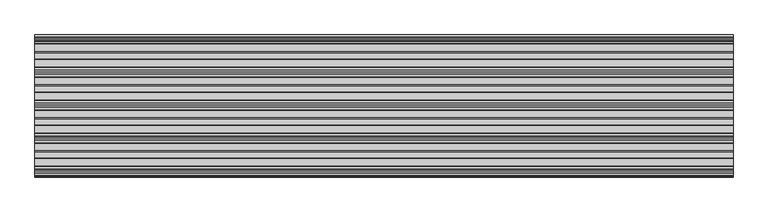
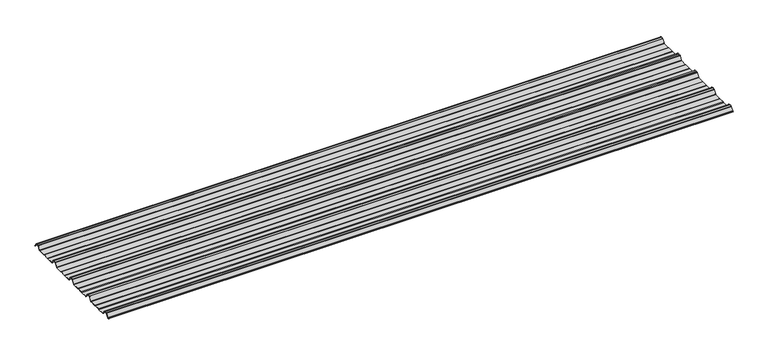
"""IFC4 building model written with IfcOpenShell, lengths in millimetres: beam geometry."""

from ifc_helpers import new_model, si_unit, point, frame, frame_2d, origin, place, context, project, spatial, polyline, circle_curve, trimmed, segment, composite_curve, outline, extrude, source, transform, mapped, element, save


def beam_5dd2faeb(model_context):
    return source(origin(), model_context, "Body", "SweptSolid", [
        extrude(outline(composite_curve([segment(polyline([(-72.2377386, -25.7896475), (-76.3538889, -24.06703), (-113.6461111, -24.06703), (-117.7622614, -25.7896475), (-160.0, -25.7896475)]), True, "CONTINUOUS"), segment(trimmed(circle_curve(frame_2d((-159.2196788, -21.4509358)), 4.4083239), [point((-160.0, -25.7896475))], [point((-162.8209858, -23.9933574))], False, "CARTESIAN"), True, "CONTINUOUS"), segment(polyline([(-162.8209858, -23.9933574), (-178.3273257, -0.5940367)]), True, "CONTINUOUS"), segment(trimmed(circle_curve(frame_2d((-180.8929255, -2.3855242)), 3.1291741), [point((-178.3273257, -0.5940367))], [point((-179.9028031, 0.582874))], True, "CARTESIAN"), True, "CONTINUOUS"), segment(trimmed(circle_curve(frame_2d((-189.9940851, -29.8891871)), 32.0995402), [point((-179.9028031, 0.582874))], [point((-190.0, 2.2103525))], True, "CARTESIAN"), True, "CONTINUOUS"), segment(trimmed(circle_curve(frame_2d((-190.0059149, -29.8891871)), 32.0995402), [point((-190.0, 2.2103525))], [point((-200.0971969, 0.582874))], True, "CARTESIAN"), True, "CONTINUOUS"), segment(trimmed(circle_curve(frame_2d((-199.1070745, -2.3855242)), 3.1291741), [point((-200.0971969, 0.582874))], [point((-201.6726743, -0.5940367))], True, "CARTESIAN"), True, "CONTINUOUS"), segment(polyline([(-201.6726743, -0.5940367), (-217.1790142, -23.9933574)]), True, "CONTINUOUS"), segment(trimmed(circle_curve(frame_2d((-220.7803212, -21.4509358)), 4.4083239), [point((-217.1790142, -23.9933574))], [point((-220.0, -25.7896475))], False, "CARTESIAN"), True, "CONTINUOUS"), segment(polyline([(-220.0, -25.7896475), (-262.2377386, -25.7896475), (-266.3538889, -24.06703), (-303.6461111, -24.06703), (-307.7622614, -25.7896475), (-350.0, -25.7896475)]), True, "CONTINUOUS"), segment(trimmed(circle_curve(frame_2d((-349.2196788, -21.4509358)), 4.4083239), [point((-350.0, -25.7896475))], [point((-352.8209858, -23.9933574))], False, "CARTESIAN"), True, "CONTINUOUS"), segment(polyline([(-352.8209858, -23.9933574), (-368.3273257, -0.5940367)]), True, "CONTINUOUS"), segment(trimmed(circle_curve(frame_2d((-370.8929255, -2.3855242)), 3.1291741), [point((-368.3273257, -0.5940367))], [point((-369.9028031, 0.582874))], True, "CARTESIAN"), True, "CONTINUOUS"), segment(trimmed(circle_curve(frame_2d((-379.9940851, -29.8891871)), 32.0995402), [point((-369.9028031, 0.582874))], [point((-380.0, 2.2103525))], True, "CARTESIAN"), True, "CONTINUOUS"), segment(trimmed(circle_curve(frame_2d((-380.0059149, -29.8891871)), 32.0995402), [point((-380.0, 2.2103525))], [point((-390.0971969, 0.582874))], True, "CARTESIAN"), True, "CONTINUOUS"), segment(trimmed(circle_curve(frame_2d((-389.1070745, -2.3855242)), 3.1291741), [point((-390.0971969, 0.582874))], [point((-391.6726743, -0.5940367))], True, "CARTESIAN"), True, "CONTINUOUS"), segment(polyline([(-391.6726743, -0.5940367), (-407.1790142, -23.9933574)]), True, "CONTINUOUS"), segment(trimmed(circle_curve(frame_2d((-410.7803212, -21.4509358)), 4.4083239), [point((-407.1790142, -23.9933574))], [point((-410.0, -25.7896475))], False, "CARTESIAN"), True, "CONTINUOUS"), segment(polyline([(-410.0, -25.7896475), (-452.2377387, -25.7896475), (-456.3538889, -24.06703), (-493.6461111, -24.06703), (-497.7622614, -25.7896475), (-540.0, -25.7896475)]), True, "CONTINUOUS"), segment(trimmed(circle_curve(frame_2d((-539.2196788, -21.4509358)), 4.4083239), [point((-540.0, -25.7896475))], [point((-542.8209858, -23.9933574))], False, "CARTESIAN"), True, "CONTINUOUS"), segment(polyline([(-542.8209858, -23.9933574), (-558.3273257, -0.5940367)]), True, "CONTINUOUS"), segment(trimmed(circle_curve(frame_2d((-560.8929255, -2.3855242)), 3.1291741), [point((-558.3273257, -0.5940367))], [point((-559.9028031, 0.582874))], True, "CARTESIAN"), True, "CONTINUOUS"), segment(trimmed(circle_curve(frame_2d((-569.9940851, -29.8891871)), 32.0995402), [point((-559.9028031, 0.582874))], [point((-570.0, 2.2103525))], True, "CARTESIAN"), True, "CONTINUOUS"), segment(trimmed(circle_curve(frame_2d((-570.0059149, -29.8891871)), 32.0995402), [point((-570.0, 2.2103525))], [point((-580.0971969, 0.582874))], True, "CARTESIAN"), True, "CONTINUOUS"), segment(trimmed(circle_curve(frame_2d((-579.1070745, -2.3855242)), 3.1291741), [point((-580.0971969, 0.582874))], [point((-581.6726743, -0.5940367))], True, "CARTESIAN"), True, "CONTINUOUS"), segment(polyline([(-581.6726743, -0.5940367), (-597.1790142, -23.9933574)]), True, "CONTINUOUS"), segment(trimmed(circle_curve(frame_2d((-600.7803212, -21.4509358)), 4.4083239), [point((-597.1790142, -23.9933574))], [point((-600.0, -25.7896475))], False, "CARTESIAN"), True, "CONTINUOUS"), segment(polyline([(-600.0, -25.7896475), (-642.2377387, -25.7896475), (-646.3538889, -24.06703), (-683.6461111, -24.06703), (-687.7622614, -25.7896475), (-730.0, -25.7896475)]), True, "CONTINUOUS"), segment(trimmed(circle_curve(frame_2d((-729.2196788, -21.4509358)), 4.4083239), [point((-730.0, -25.7896475))], [point((-732.8209858, -23.9933574))], False, "CARTESIAN"), True, "CONTINUOUS"), segment(polyline([(-732.8209858, -23.9933574), (-748.3273257, -0.5940367)]), True, "CONTINUOUS"), segment(trimmed(circle_curve(frame_2d((-750.8929255, -2.3855242)), 3.1291741), [point((-748.3273257, -0.5940367))], [point((-749.9028031, 0.582874))], True, "CARTESIAN"), True, "CONTINUOUS"), segment(trimmed(circle_curve(frame_2d((-759.9940851, -29.8891871)), 32.0995402), [point((-749.9028031, 0.582874))], [point((-760.0, 2.2103525))], True, "CARTESIAN"), True, "CONTINUOUS"), segment(trimmed(circle_curve(frame_2d((-760.0059149, -29.8891871)), 32.0995402), [point((-760.0, 2.2103525))], [point((-770.0971969, 0.582874))], True, "CARTESIAN"), True, "CONTINUOUS"), segment(trimmed(circle_curve(frame_2d((-769.1070745, -2.3855242)), 3.1291741), [point((-770.0971969, 0.582874))], [point((-771.6726743, -0.5940367))], True, "CARTESIAN"), True, "CONTINUOUS"), segment(polyline([(-771.6726743, -0.5940367), (-785.8536479, -21.993358)]), True, "CONTINUOUS"), segment(trimmed(circle_curve(frame_2d((-789.4549545, -19.4509358)), 4.4083239), [point((-785.8536479, -21.993358))], [point((-788.6746333, -23.7896475))], False, "CARTESIAN"), True, "CONTINUOUS"), segment(polyline([(-788.6746333, -23.7896475), (-792.3232685, -23.7896475)]), True, "CONTINUOUS"), segment(trimmed(circle_curve(frame_2d((-792.3232685, -23.2896475)), 0.5), [point((-792.3232685, -23.7896475))], [point((-792.3232685, -22.7896475))], False, "CARTESIAN"), True, "CONTINUOUS"), segment(polyline([(-792.3232685, -22.7896475), (-788.769625, -22.7896475)]), True, "CONTINUOUS"), segment(trimmed(circle_curve(frame_2d((-789.4549545, -19.4509358)), 3.4083239), [point((-788.769625, -22.7896475))], [point((-786.6785605, -21.42788))], True, "CARTESIAN"), True, "CONTINUOUS"), segment(polyline([(-786.6785605, -21.42788), (-772.5, -0.0322)]), True, "CONTINUOUS"), segment(trimmed(circle_curve(frame_2d((-769.1070745, -2.3855242)), 4.1291741), [point((-772.5, -0.0322))], [point((-770.41253, 1.5318556))], False, "CARTESIAN"), True, "CONTINUOUS"), segment(trimmed(circle_curve(frame_2d((-760.0059149, -29.8891871)), 33.0995402), [point((-770.41253, 1.5318556))], [point((-760.0, 3.2103525))], False, "CARTESIAN"), True, "CONTINUOUS"), segment(trimmed(circle_curve(frame_2d((-759.9940851, -29.8891871)), 33.0995402), [point((-760.0, 3.2103525))], [point((-749.58747, 1.5318556))], False, "CARTESIAN"), True, "CONTINUOUS"), segment(trimmed(circle_curve(frame_2d((-750.8929255, -2.3855242)), 4.1291741), [point((-749.58747, 1.5318556))], [point((-747.5, -0.0322))], False, "CARTESIAN"), True, "CONTINUOUS"), segment(polyline([(-747.5, -0.0322), (-732.1223092, -23.2373872)]), True, "CONTINUOUS"), segment(trimmed(circle_curve(frame_2d((-729.2196788, -21.4509358)), 3.4083239), [point((-732.1223092, -23.2373872))], [point((-729.9050084, -24.7896475))], True, "CARTESIAN"), True, "CONTINUOUS"), segment(polyline([(-729.9050084, -24.7896475), (-687.9630742, -24.7896475), (-683.846924, -23.06703), (-646.1530761, -23.06703), (-642.0369258, -24.7896475), (-600.0949917, -24.7896475)]), True, "CONTINUOUS"), segment(trimmed(circle_curve(frame_2d((-600.7803212, -21.4509358)), 3.4083239), [point((-600.0949917, -24.7896475))], [point((-597.8776908, -23.2373872))], True, "CARTESIAN"), True, "CONTINUOUS"), segment(polyline([(-597.8776908, -23.2373872), (-582.5, -0.0322)]), True, "CONTINUOUS"), segment(trimmed(circle_curve(frame_2d((-579.1070745, -2.3855242)), 4.1291741), [point((-582.5, -0.0322))], [point((-580.41253, 1.5318556))], False, "CARTESIAN"), True, "CONTINUOUS"), segment(trimmed(circle_curve(frame_2d((-570.0059149, -29.8891871)), 33.0995402), [point((-580.41253, 1.5318556))], [point((-570.0, 3.2103525))], False, "CARTESIAN"), True, "CONTINUOUS"), segment(trimmed(circle_curve(frame_2d((-569.9940851, -29.8891871)), 33.0995402), [point((-570.0, 3.2103525))], [point((-559.58747, 1.5318556))], False, "CARTESIAN"), True, "CONTINUOUS"), segment(trimmed(circle_curve(frame_2d((-560.8929255, -2.3855242)), 4.1291741), [point((-559.58747, 1.5318556))], [point((-557.5, -0.0322))], False, "CARTESIAN"), True, "CONTINUOUS"), segment(polyline([(-557.5, -0.0322), (-542.1223092, -23.2373872)]), True, "CONTINUOUS"), segment(trimmed(circle_curve(frame_2d((-539.2196788, -21.4509358)), 3.4083239), [point((-542.1223092, -23.2373872))], [point((-539.9050084, -24.7896475))], True, "CARTESIAN"), True, "CONTINUOUS"), segment(polyline([(-539.9050084, -24.7896475), (-497.9630742, -24.7896475), (-493.846924, -23.06703), (-456.1530761, -23.06703), (-452.0369258, -24.7896475), (-410.0949917, -24.7896475)]), True, "CONTINUOUS"), segment(trimmed(circle_curve(frame_2d((-410.7803212, -21.4509358)), 3.4083239), [point((-410.0949917, -24.7896475))], [point((-407.8776908, -23.2373872))], True, "CARTESIAN"), True, "CONTINUOUS"), segment(polyline([(-407.8776908, -23.2373872), (-392.5, -0.0322)]), True, "CONTINUOUS"), segment(trimmed(circle_curve(frame_2d((-389.1070745, -2.3855242)), 4.1291741), [point((-392.5, -0.0322))], [point((-390.41253, 1.5318556))], False, "CARTESIAN"), True, "CONTINUOUS"), segment(trimmed(circle_curve(frame_2d((-380.0059149, -29.8891871)), 33.0995402), [point((-390.41253, 1.5318556))], [point((-380.0, 3.2103525))], False, "CARTESIAN"), True, "CONTINUOUS"), segment(trimmed(circle_curve(frame_2d((-379.9940851, -29.8891871)), 33.0995402), [point((-380.0, 3.2103525))], [point((-369.58747, 1.5318556))], False, "CARTESIAN"), True, "CONTINUOUS"), segment(trimmed(circle_curve(frame_2d((-370.8929255, -2.3855242)), 4.1291741), [point((-369.58747, 1.5318556))], [point((-367.5, -0.0322))], False, "CARTESIAN"), True, "CONTINUOUS"), segment(polyline([(-367.5, -0.0322), (-352.1223092, -23.2373872)]), True, "CONTINUOUS"), segment(trimmed(circle_curve(frame_2d((-349.2196788, -21.4509358)), 3.4083239), [point((-352.1223092, -23.2373872))], [point((-349.9050084, -24.7896475))], True, "CARTESIAN"), True, "CONTINUOUS"), segment(polyline([(-349.9050084, -24.7896475), (-307.9630742, -24.7896475), (-303.846924, -23.06703), (-266.153076, -23.06703), (-262.0369258, -24.7896475), (-220.0949917, -24.7896475)]), True, "CONTINUOUS"), segment(trimmed(circle_curve(frame_2d((-220.7803212, -21.4509358)), 3.4083239), [point((-220.0949917, -24.7896475))], [point((-217.8776908, -23.2373872))], True, "CARTESIAN"), True, "CONTINUOUS"), segment(polyline([(-217.8776908, -23.2373872), (-202.5, -0.0322)]), True, "CONTINUOUS"), segment(trimmed(circle_curve(frame_2d((-199.1070745, -2.3855242)), 4.1291741), [point((-202.5, -0.0322))], [point((-200.41253, 1.5318556))], False, "CARTESIAN"), True, "CONTINUOUS"), segment(trimmed(circle_curve(frame_2d((-190.0059149, -29.8891871)), 33.0995402), [point((-200.41253, 1.5318556))], [point((-190.0, 3.2103525))], False, "CARTESIAN"), True, "CONTINUOUS"), segment(trimmed(circle_curve(frame_2d((-189.9940851, -29.8891871)), 33.0995402), [point((-190.0, 3.2103525))], [point((-179.58747, 1.5318556))], False, "CARTESIAN"), True, "CONTINUOUS"), segment(trimmed(circle_curve(frame_2d((-180.8929255, -2.3855242)), 4.1291741), [point((-179.58747, 1.5318556))], [point((-177.5, -0.0322))], False, "CARTESIAN"), True, "CONTINUOUS"), segment(polyline([(-177.5, -0.0322), (-162.1223092, -23.2373872)]), True, "CONTINUOUS"), segment(trimmed(circle_curve(frame_2d((-159.2196788, -21.4509358)), 3.4083239), [point((-162.1223092, -23.2373872))], [point((-159.9050084, -24.7896475))], True, "CARTESIAN"), True, "CONTINUOUS"), segment(polyline([(-159.9050084, -24.7896475), (-117.9630742, -24.7896475), (-113.846924, -23.06703), (-76.153076, -23.06703), (-72.0369258, -24.7896475), (-27.6957008, -24.7896475)]), True, "CONTINUOUS"), segment(trimmed(circle_curve(frame_2d((-28.3810303, -21.4509358)), 3.4083239), [point((-27.6957008, -24.7896475))], [point((-25.6046359, -23.4278795))], True, "CARTESIAN"), True, "CONTINUOUS"), segment(polyline([(-25.6046359, -23.4278795), (-10.8390947, -1.146436)]), True, "CONTINUOUS"), segment(trimmed(circle_curve(frame_2d((-9.2408211, -2.2055853)), 1.9173616), [point((-10.8390947, -1.146436))], [point((-9.7828223, -0.366425))], False, "CARTESIAN"), True, "CONTINUOUS"), segment(trimmed(circle_curve(frame_2d((-0.0059149, -29.8891871)), 31.0995402), [point((-9.7828223, -0.366425))], [point((0.0, 1.2103525))], False, "CARTESIAN"), True, "CONTINUOUS"), segment(trimmed(circle_curve(frame_2d((0.0059149, -29.8891871)), 31.0995402), [point((0.0, 1.2103525))], [point((9.7828223, -0.366425))], False, "CARTESIAN"), True, "CONTINUOUS"), segment(trimmed(circle_curve(frame_2d((9.2408211, -2.2055853)), 1.9173616), [point((9.7828223, -0.366425))], [point((10.8390947, -1.146436))], False, "CARTESIAN"), True, "CONTINUOUS"), segment(polyline([(10.8390947, -1.146436), (25.1846039, -22.7940443)]), True, "CONTINUOUS"), segment(trimmed(circle_curve(frame_2d((24.7678141, -23.0702439)), 0.5), [point((25.1846039, -22.7940443))], [point((24.3510243, -23.3464436))], False, "CARTESIAN"), True, "CONTINUOUS"), segment(polyline([(24.3510243, -23.3464436), (10.1734573, -1.9522629)]), True, "CONTINUOUS"), segment(trimmed(circle_curve(frame_2d((8.6614124, -2.9542699)), 1.8139178), [point((10.1734573, -1.9522629))], [point((9.071517, -1.18732))], True, "CARTESIAN"), True, "CONTINUOUS"), segment(trimmed(circle_curve(frame_2d((0.0059149, -29.8891871)), 30.0995402), [point((9.071517, -1.18732))], [point((0.0, 0.2103525))], True, "CARTESIAN"), True, "CONTINUOUS"), segment(trimmed(circle_curve(frame_2d((-0.0059149, -29.8891871)), 30.0995402), [point((0.0, 0.2103525))], [point((-9.071517, -1.18732))], True, "CARTESIAN"), True, "CONTINUOUS"), segment(trimmed(circle_curve(frame_2d((-8.6614124, -2.9542699)), 1.8139178), [point((-9.071517, -1.18732))], [point((-10.1734573, -1.9522629))], True, "CARTESIAN"), True, "CONTINUOUS"), segment(polyline([(-10.1734573, -1.9522629), (-24.7797233, -23.9933574)]), True, "CONTINUOUS"), segment(trimmed(circle_curve(frame_2d((-28.3810303, -21.4509358)), 4.4083239), [point((-24.7797233, -23.9933574))], [point((-27.6007091, -25.7896475))], False, "CARTESIAN"), True, "CONTINUOUS"), segment(polyline([(-27.6007091, -25.7896475), (-72.2377386, -25.7896475)]), True, "CONTINUOUS")], self_intersect=False)), frame((-2009.6447762, 0.0, 0.0), z_axis=(1.0, 0.0, 0.0), x_axis=(0.0, 1.0, 0.0)), (0.0, 0.0, 1.0), 4019.2895524),
    ])


if __name__ == "__main__":
    model = new_model("IFC4")
    model_context = context("Model", 3, world=origin())
    ifc_project = project(units=[si_unit("LENGTHUNIT", "METRE", prefix="MILLI")], contexts=[model_context])
    site = spatial("IfcSite", under=ifc_project)
    building = spatial("IfcBuilding", under=site)
    placement = place(None, origin())
    beam_shape = beam_5dd2faeb(model_context)
    element("IfcBeam", 1, at=placement, inside=building, context=model_context, shape_type="MappedRepresentation", body=[
        mapped(beam_shape, transform((0.0, 0.0, 0.0), x_axis=(1.0, 0.0, 0.0), y_axis=(0.0, 1.0, 0.0), z_axis=(0.0, 0.0, 1.0))),
    ])
    save(model, "model.ifc")
